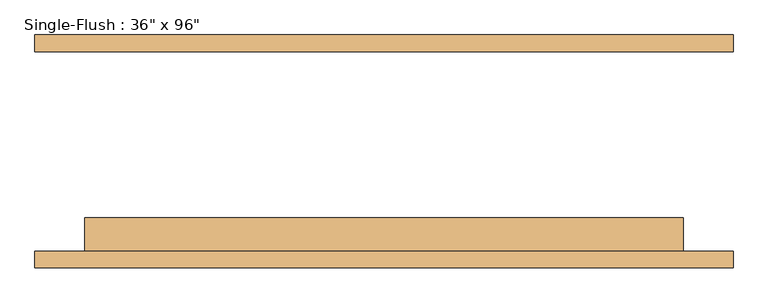
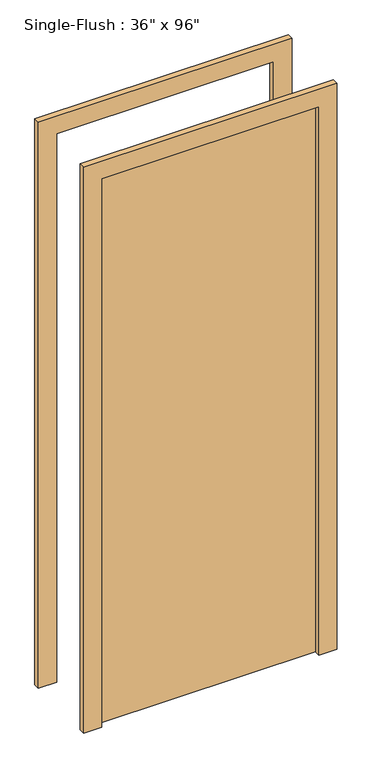
"""IFC4 building model written with IfcOpenShell, lengths in millimetres: door geometry."""

from ifc_helpers import new_model, si_unit, frame, origin, origin_with_axes, place, context, project, spatial, polyline, outline, extrude, source, transform, mapped, element, save


def door_b84d2d09(model_context):
    return source(origin(), model_context, "Body", "SweptSolid", [
        extrude(outline(polyline([(2514.6, -533.4), (0.0, -533.4), (0.0, -457.2), (2438.4, -457.2), (2438.4, 457.2), (0.0, 457.2), (0.0, 533.4), (2514.6, 533.4), (2514.6, -533.4)])), frame((0.0, -177.8, 0.0), z_axis=(0.0, 1.0, 0.0), x_axis=(0.0, 0.0, 1.0)), (0.0, 0.0, 1.0), 25.4),
        extrude(outline(polyline([(2514.6, 533.4), (2514.6, -533.4), (0.0, -533.4), (0.0, -457.2), (2438.4, -457.2), (2438.4, 457.2), (0.0, 457.2), (0.0, 533.4), (2514.6, 533.4)])), frame((0.0, 152.4, 0.0), z_axis=(0.0, 1.0, 0.0), x_axis=(0.0, 0.0, 1.0)), (0.0, 0.0, 1.0), 25.4),
        extrude(outline(polyline([(457.2, -101.6), (457.2, -152.4), (-457.2, -152.4), (-457.2, -101.6), (457.2, -101.6)])), origin_with_axes(), (0.0, 0.0, 1.0), 2438.4),
    ])


if __name__ == "__main__":
    model = new_model("IFC4")
    model_context = context("Model", 3, world=origin())
    ifc_project = project(units=[si_unit("LENGTHUNIT", "METRE", prefix="MILLI")], contexts=[model_context])
    site = spatial("IfcSite", under=ifc_project)
    building = spatial("IfcBuilding", under=site)
    placement = place(None, origin())
    door_shape = door_b84d2d09(model_context)
    element("IfcDoor", 1, ObjectType="Single-Flush : 36\" x 96\"", at=placement, inside=building, context=model_context, shape_type="MappedRepresentation", body=[
        mapped(door_shape, transform((0.0, 0.0, 0.0), x_axis=(1.0, 0.0, 0.0), y_axis=(0.0, 1.0, 0.0), z_axis=(0.0, 0.0, 1.0))),
    ])
    save(model, "model.ifc")
